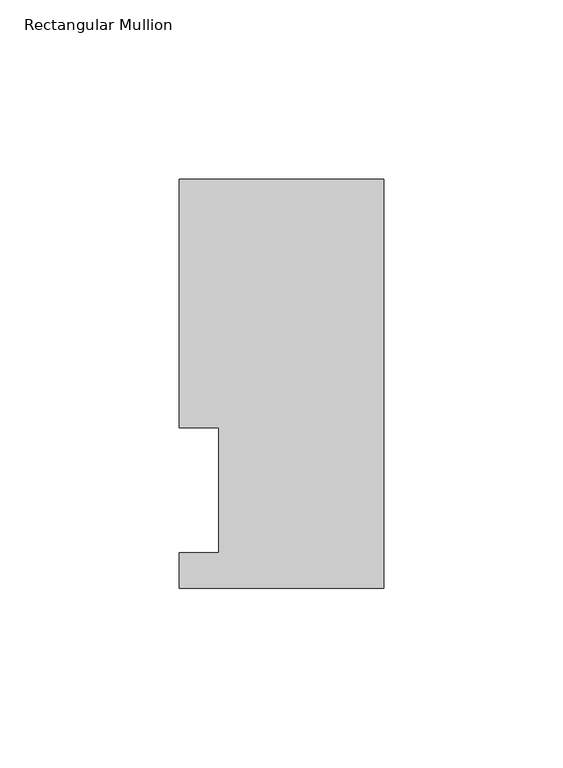
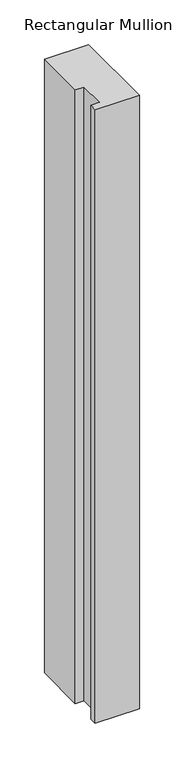
"""IFC4 building model written with IfcOpenShell, lengths in millimetres: member geometry, Rectangular Mullion."""

from ifc_helpers import new_model, si_unit, frame, origin, place, context, project, spatial, polyline, outline, extrude, source, transform, mapped, element, save


def rectangular_mullion_b143a053(model_context):
    return source(origin(), model_context, "Body", "SweptSolid", [
        extrude(outline(polyline([(0.0, 114.0729875), (0.0, -0.2270125), (-57.15, -0.2270125), (-57.15, 9.6789875), (-46.0375, 9.6789875), (-46.0375, 44.6039875), (-57.15, 44.6039875), (-57.15, 114.0729875), (0.0, 114.0729875)])), frame((0.0, 0.0, -841.375), z_axis=(0.0, 0.0, 1.0), x_axis=(1.0, 0.0, 0.0)), (0.0, 0.0, 1.0), 841.375),
    ])


if __name__ == "__main__":
    model = new_model("IFC4")
    model_context = context("Model", 3, world=origin())
    ifc_project = project(units=[si_unit("LENGTHUNIT", "METRE", prefix="MILLI")], contexts=[model_context])
    site = spatial("IfcSite", under=ifc_project)
    building = spatial("IfcBuilding", under=site)
    placement = place(None, origin())
    rectangular_mullion_shape = rectangular_mullion_b143a053(model_context)
    element("IfcMember", 1, ObjectType="Rectangular Mullion", at=placement, inside=building, context=model_context, shape_type="MappedRepresentation", body=[
        mapped(rectangular_mullion_shape, transform((0.0, 0.0, 0.0), x_axis=(1.0, 0.0, 0.0), y_axis=(0.0, 1.0, 0.0), z_axis=(0.0, 0.0, 1.0))),
    ])
    save(model, "model.ifc")
